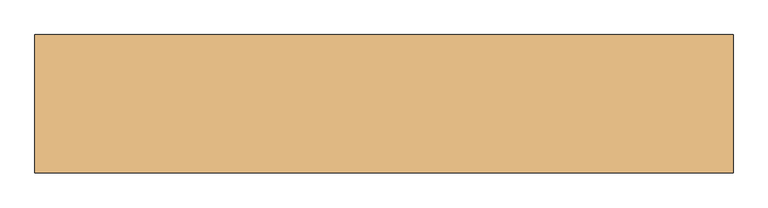
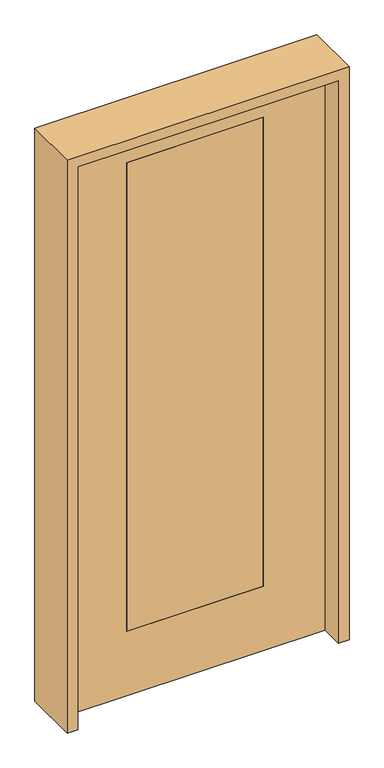
"""IFC4 building model written with IfcOpenShell, lengths in millimetres: door geometry."""

from ifc_helpers import new_model, si_unit, frame, origin, place, context, project, spatial, polyline, outline, extrude, source, transform, mapped, element, save


def door_f0e275ac(model_context):
    return source(origin(), model_context, "Body", "SweptSolid", [
        extrude(outline(polyline([(2438.4, 533.4), (2438.4, -533.4), (0.0, -533.4), (0.0, 533.4), (2438.4, 533.4)]), holes=[polyline([(279.4, 279.4), (279.4, -279.4), (2311.4, -279.4), (2311.4, 279.4), (279.4, 279.4)])]), frame((0.0, -20.6375, 0.0), z_axis=(0.0, 1.0, 0.0), x_axis=(0.0, 0.0, 1.0)), (0.0, 0.0, 1.0), 41.275),
        extrude(outline(polyline([(279.4, -20.6375), (-279.4, -20.6375), (-279.4, 20.6375), (279.4, 20.6375), (279.4, -20.6375)])), frame((0.0, 0.0, 279.4), z_axis=(0.0, 0.0, 1.0), x_axis=(1.0, 0.0, 0.0)), (0.0, 0.0, 1.0), 2032.0),
        extrude(outline(polyline([(2482.85, -577.85), (0.0, -577.85), (0.0, -533.4), (2438.4, -533.4), (2438.4, 533.4), (0.0, 533.4), (0.0, 577.85), (2482.85, 577.85), (2482.85, -577.85)])), frame((0.0, -114.3, 0.0), z_axis=(0.0, 1.0, 0.0), x_axis=(0.0, 0.0, 1.0)), (0.0, 0.0, 1.0), 228.6),
    ])


if __name__ == "__main__":
    model = new_model("IFC4")
    model_context = context("Model", 3, world=origin())
    ifc_project = project(units=[si_unit("LENGTHUNIT", "METRE", prefix="MILLI")], contexts=[model_context])
    site = spatial("IfcSite", under=ifc_project)
    building = spatial("IfcBuilding", under=site)
    placement = place(None, origin())
    door_shape = door_f0e275ac(model_context)
    element("IfcDoor", 1, at=placement, inside=building, context=model_context, shape_type="MappedRepresentation", body=[
        mapped(door_shape, transform((0.0, 0.0, 0.0), x_axis=(1.0, 0.0, 0.0), y_axis=(0.0, 1.0, 0.0), z_axis=(0.0, 0.0, 1.0))),
    ])
    save(model, "model.ifc")
